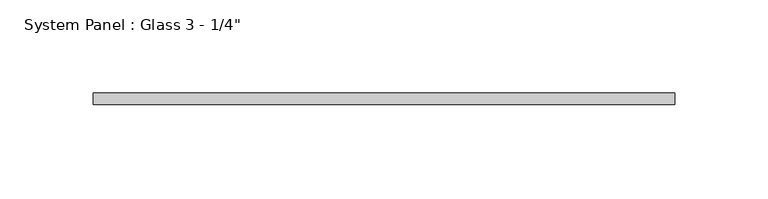
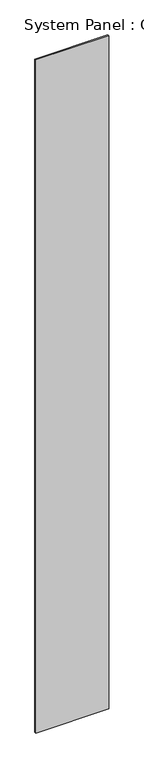
"""IFC4 building model written with IfcOpenShell, lengths in millimetres: plate geometry."""

from ifc_helpers import new_model, si_unit, origin, origin_with_axes, place, context, project, spatial, polyline, outline, extrude, source, transform, mapped, element, save


def plate_daec39b5(model_context):
    return source(origin(), model_context, "Body", "SweptSolid", [
        extrude(outline(polyline([(156.1878546, 0.0), (-156.1878546, 0.0), (-156.1878546, 6.35), (156.1878546, 6.35), (156.1878546, 0.0)])), origin_with_axes(), (0.0, 0.0, 1.0), 3048.0),
    ])


if __name__ == "__main__":
    model = new_model("IFC4")
    model_context = context("Model", 3, world=origin())
    ifc_project = project(units=[si_unit("LENGTHUNIT", "METRE", prefix="MILLI")], contexts=[model_context])
    site = spatial("IfcSite", under=ifc_project)
    building = spatial("IfcBuilding", under=site)
    placement = place(None, origin())
    plate_shape = plate_daec39b5(model_context)
    element("IfcPlate", 1, ObjectType="System Panel : Glass 3 - 1/4\"", at=placement, inside=building, context=model_context, shape_type="MappedRepresentation", body=[
        mapped(plate_shape, transform((0.0, 0.0, 0.0), x_axis=(1.0, 0.0, 0.0), y_axis=(0.0, 1.0, 0.0), z_axis=(0.0, 0.0, 1.0))),
    ])
    save(model, "model.ifc")
